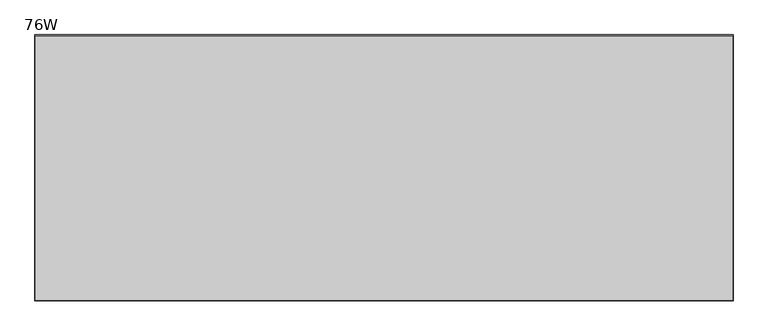
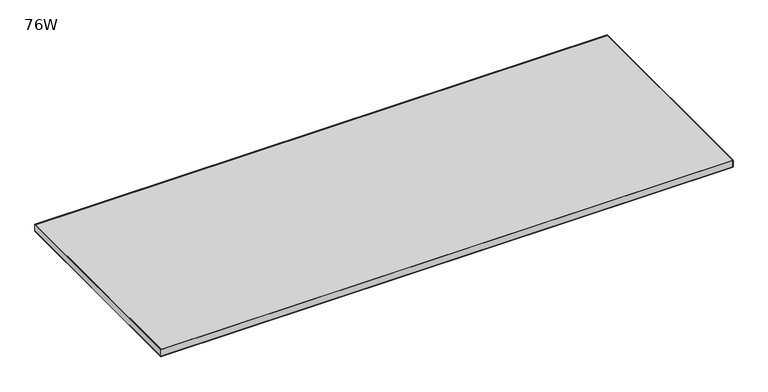
"""IFC4 building model written with IfcOpenShell, lengths in millimetres: furniture geometry, 76W."""

from ifc_helpers import new_model, si_unit, frame, origin, place, context, project, spatial, polyline, outline, extrude, faceted_brep, source, transform, mapped, element, save


def furniture_76w_93428776(model_context):
    return source(origin(), model_context, "Body", "SolidModel", [
        faceted_brep([(-736.6, 451.599999, 687.4509564), (1193.8, 451.599999, 687.4509564), (1193.5794226, 451.3794217, 686.2), (-736.3794226, 451.3794217, 686.2), (-736.6, 451.599999, 709.9300349), (1193.8, 451.599999, 709.9300349), (-736.421518, 451.4215171, 711.2), (1193.621518, 451.4215171, 711.2), (1193.8, -284.9999273, 687.4509564), (1193.5794226, -284.77935, 686.2), (1193.8, -284.9999273, 709.9300349), (1193.621518, -284.8214454, 711.2), (1192.784001, -283.9839283, 711.2), (1192.784001, 448.5527419, 711.2), (1192.784001, 448.5527419, 686.2), (1192.784001, -283.9839283, 686.2), (-736.6, -284.9999273, 687.4509564), (-736.3794226, -284.77935, 686.2), (-736.6, -284.9999273, 709.9300349), (-736.421518, -284.8214454, 711.2), (-735.584001, -283.9839283, 686.2), (-735.584001, -283.9839283, 711.2), (-735.584001, 448.5527419, 686.2), (-735.584001, 448.5527419, 711.2)], [[[0, 1, 2, 3]], [[0, 4, 5, 1]], [[4, 6, 7, 5]], [[1, 8, 9, 2]], [[5, 10, 8, 1]], [[7, 11, 10, 5]], [[12, 13, 14, 15]], [[8, 16, 17, 9]], [[10, 18, 16, 8]], [[11, 19, 18, 10]], [[15, 20, 21, 12]], [[2, 9, 17, 3], [15, 14, 22, 20]], [[3, 17, 16, 0]], [[0, 16, 18, 4]], [[4, 18, 19, 6]], [[6, 19, 11, 7], [21, 23, 13, 12]], [[20, 22, 23, 21]], [[14, 13, 23, 22]]]),
        extrude(outline(polyline([(1192.784001, -283.9839283), (-735.584001, -283.9839283), (-735.584001, 448.5527419), (1192.784001, 448.5527419), (1192.784001, -283.9839283)])), frame((0.0, 0.0, 686.2), z_axis=(0.0, 0.0, 1.0), x_axis=(1.0, 0.0, 0.0)), (0.0, 0.0, 1.0), 25.0),
    ])


if __name__ == "__main__":
    model = new_model("IFC4")
    model_context = context("Model", 3, world=origin())
    ifc_project = project(units=[si_unit("LENGTHUNIT", "METRE", prefix="MILLI")], contexts=[model_context])
    site = spatial("IfcSite", under=ifc_project)
    building = spatial("IfcBuilding", under=site)
    placement = place(None, origin())
    furniture_76w_shape = furniture_76w_93428776(model_context)
    element("IfcFurniture", 1, ObjectType="76W", at=placement, inside=building, context=model_context, shape_type="MappedRepresentation", body=[
        mapped(furniture_76w_shape, transform((0.0, 0.0, 0.0), x_axis=(1.0, 0.0, 0.0), y_axis=(0.0, 1.0, 0.0), z_axis=(0.0, 0.0, 1.0))),
    ])
    save(model, "model.ifc")
